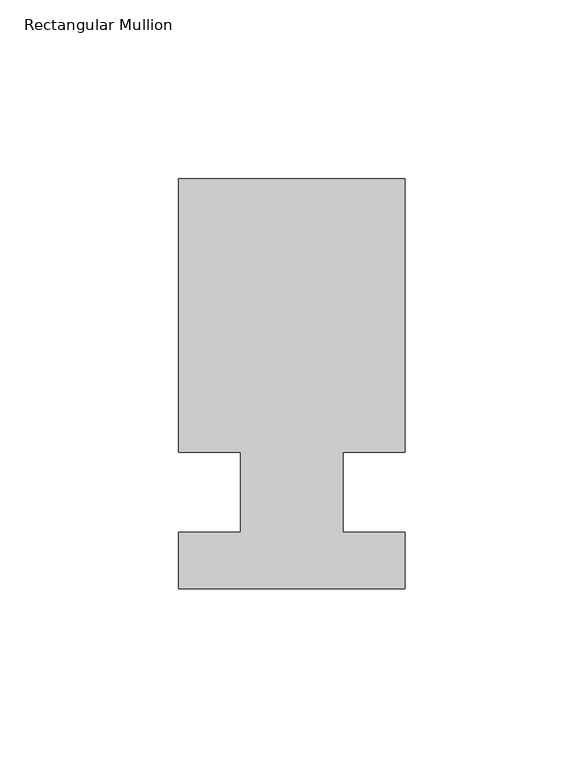
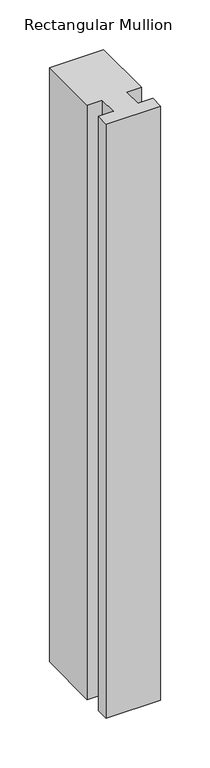
"""IFC4 building model written with IfcOpenShell, lengths in millimetres: member geometry, Rectangular Mullion."""

from ifc_helpers import new_model, si_unit, frame, origin, place, context, project, spatial, polyline, outline, extrude, source, transform, mapped, element, save


def rectangular_mullion_63828707(model_context):
    return source(origin(), model_context, "Body", "SweptSolid", [
        extrude(outline(polyline([(31.75, 76.5302), (31.75, 0.0), (14.2875, 0.0), (14.2875, -22.479), (31.75, -22.479), (31.75, -38.3286), (-31.75, -38.3286), (-31.75, -22.479), (-14.2875, -22.479), (-14.2875, 0.0), (-31.75, 0.0), (-31.75, 76.5302), (31.75, 76.5302)])), frame((0.0, 0.0, -732.7082222), z_axis=(0.0, 0.0, 1.0), x_axis=(1.0, 0.0, 0.0)), (0.0, 0.0, 1.0), 732.7082222),
    ])


if __name__ == "__main__":
    model = new_model("IFC4")
    model_context = context("Model", 3, world=origin())
    ifc_project = project(units=[si_unit("LENGTHUNIT", "METRE", prefix="MILLI")], contexts=[model_context])
    site = spatial("IfcSite", under=ifc_project)
    building = spatial("IfcBuilding", under=site)
    placement = place(None, origin())
    rectangular_mullion_shape = rectangular_mullion_63828707(model_context)
    element("IfcMember", 1, ObjectType="Rectangular Mullion", at=placement, inside=building, context=model_context, shape_type="MappedRepresentation", body=[
        mapped(rectangular_mullion_shape, transform((0.0, 0.0, 0.0), x_axis=(1.0, 0.0, 0.0), y_axis=(0.0, 1.0, 0.0), z_axis=(0.0, 0.0, 1.0))),
    ])
    save(model, "model.ifc")
